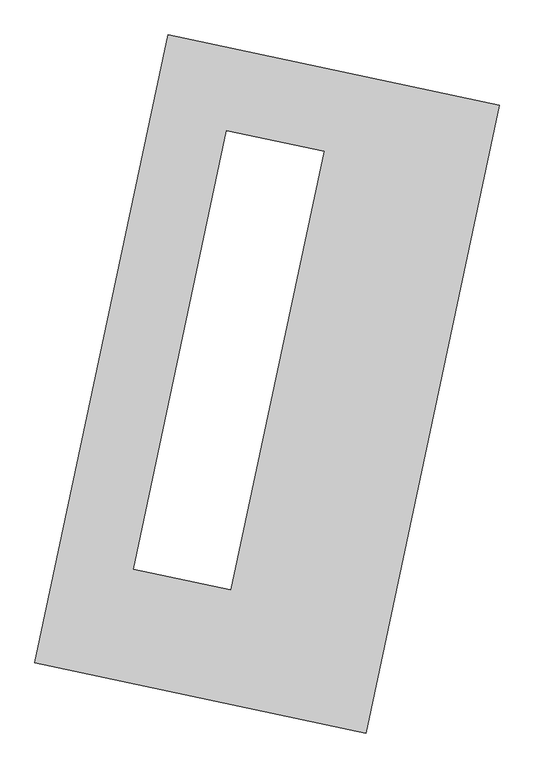
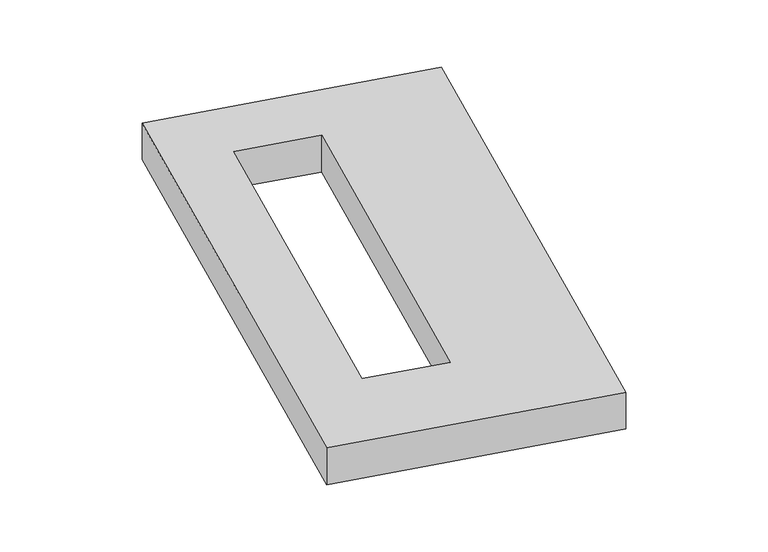
"""IFC4 building model written with IfcOpenShell, lengths in millimetres: proxy geometry."""

from ifc_helpers import new_model, si_unit, origin, origin_with_axes, place, context, project, spatial, polyline, outline, extrude, source, transform, mapped, element, save


def generic_models_00b5a5e8(model_context):
    return source(origin(), model_context, "Body", "SweptSolid", [
        extrude(outline(polyline([(-617.3692021, 2175.5580432), (1447.7508745, 1737.3010494), (617.3692021, -2175.5580432), (-1447.7508745, -1737.3010494), (-617.3692021, 2175.5580432)]), holes=[polyline([(353.916417, 1449.5578316), (-252.7796082, 1578.3100427), (-832.5333341, -1153.5597865), (-225.8373088, -1282.3119977), (353.916417, 1449.5578316)])]), origin_with_axes(), (0.0, 0.0, 1.0), 300.0),
    ])


if __name__ == "__main__":
    model = new_model("IFC4")
    model_context = context("Model", 3, world=origin())
    ifc_project = project(units=[si_unit("LENGTHUNIT", "METRE", prefix="MILLI")], contexts=[model_context])
    site = spatial("IfcSite", under=ifc_project)
    building = spatial("IfcBuilding", under=site)
    placement = place(None, origin())
    generic_models_shape = generic_models_00b5a5e8(model_context)
    element("IfcBuildingElementProxy", 1, Name="Generic Models", at=placement, inside=building, context=model_context, shape_type="MappedRepresentation", body=[
        mapped(generic_models_shape, transform((0.0, 0.0, 0.0), x_axis=(1.0, 0.0, 0.0), y_axis=(0.0, 1.0, 0.0), z_axis=(0.0, 0.0, 1.0))),
    ])
    save(model, "model.ifc")
